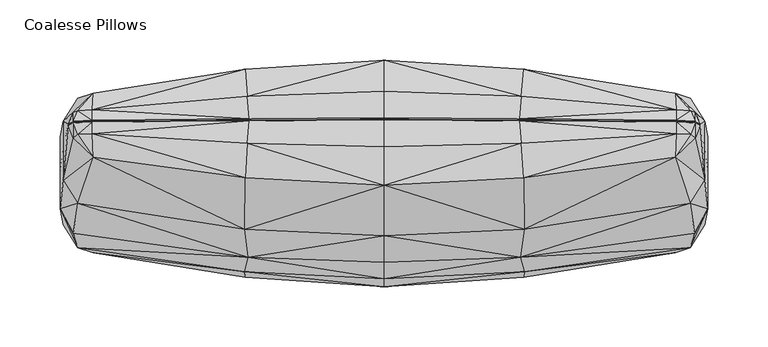
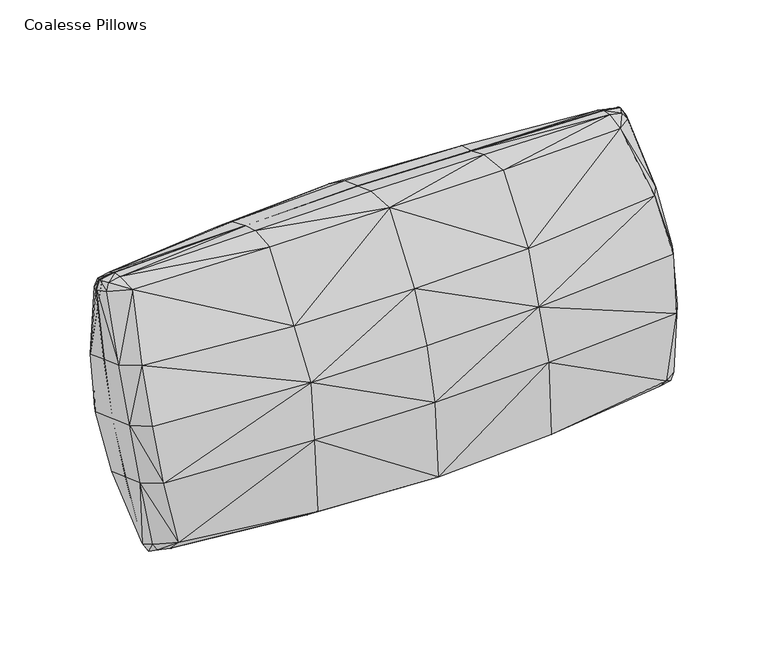
"""IFC4 building model written with IfcOpenShell, lengths in millimetres: furniture geometry, Coalesse Pillows."""

from ifc_helpers import new_model, si_unit, origin, place, context, project, spatial, triangles, source, transform, mapped, element, save


def coalesse_pillows_a840edc3(model_context):
    return source(origin(), model_context, "Body", "Tessellation", [
        triangles([(0.0001959, -10.1185241, 269.7106266), (0.0001078, -52.4536615, 210.3301486), (116.320607, -46.7196092, 208.2172143), (115.814824, -4.0912809, 264.9565563), (0.0001124, -74.2009805, 163.4093752), (113.1859692, -70.2742943, 161.9801747), (254.4092895, -25.2242688, 202.4309941), (242.046672, 12.9986479, 254.2521588), (258.361065, -50.0190626, 154.6078413), (243.0368368, 32.794603, 256.4648689), (113.8667234, 24.7344277, 264.4076072), (0.0001892, 21.9244544, 267.7287163), (269.1917084, -29.6406553, 147.1907794), (266.6809605, -6.031235, 195.2920222), (258.7454528, 28.9829897, 248.5095587), (254.8683821, 32.1066862, 254.3816204), (112.2202214, 43.5029678, 257.5044312), (0.0001846, 44.261706, 259.5938749), (243.0515707, 42.4926325, 254.6547323), (258.6241666, 41.8398471, 252.7572282), (263.0339265, 39.0803817, 245.2492926), (266.7591352, 17.7509173, 186.7556791), (269.2070599, -0.5087484, 136.5876476), (112.3989351, 43.8916432, 256.335589), (0.0001845, 44.6512898, 258.4227618), (242.9391139, 42.8777834, 253.5499669), (257.3316038, 42.2897016, 251.9342043), (261.1658538, 39.7503262, 244.9573046), (264.7485748, 18.5004957, 186.5738407), (267.1893597, 0.2116045, 136.3254452), (0.0001742, 93.8631479, 231.8644991), (115.8148058, 86.1901787, 232.0968977), (116.3205889, 82.3740599, 161.2310198), (7.85e-05, 88.1247263, 159.1638132), (113.1859419, 70.6974425, 110.6707339), (8.13e-05, 74.6240924, 109.2415333), (242.0466538, 66.2178831, 234.8819748), (254.4092895, 62.1884007, 170.6154216), (258.361065, 50.4422654, 118.0429856), (243.0368186, 52.4756351, 249.3015889), (113.8667143, 63.7554971, 250.2051311), (0.0001796, 68.0427853, 250.9429676), (269.1917084, 30.0638513, 125.4601745), (266.6809605, 42.8968502, 177.4836615), (258.7454528, 50.2819372, 240.757452), (254.8683821, 51.6635208, 247.2635955), (112.2202214, 44.9406935, 256.981171), (0.0001843, 45.7024974, 259.0694701), (243.0515707, 43.8829546, 254.1486949), (258.6241666, 43.1633401, 252.2754989), (263.0339265, 40.4512282, 244.7503587), (266.7591352, 19.191627, 186.231347), (269.2070599, 0.9319582, 136.0632519), (-115.8145333, -4.0913416, 264.9565563), (-116.3204526, -46.7196592, 208.2172143), (-113.1857966, -70.2743397, 161.9801747), (-242.0465448, 12.998548, 254.2521588), (-254.9313869, -25.2243756, 202.4309941), (-258.9035282, -50.0191671, 154.6078413), (-243.036637, 32.7944985, 256.4648689), (-113.8664509, 24.73438, 264.4076072), (-269.7341716, -29.6407666, 147.1907794), (-267.2030398, -6.0313525, 195.2920222), (-258.7452167, 28.9828807, 248.5095587), (-254.8681277, 32.1065818, 254.3816204), (-112.2200397, 43.5029224, 257.5044312), (-243.0514435, 42.492528, 254.6547323), (-258.6240213, 41.8397427, 252.7572282), (-263.0337267, 39.0802681, 245.2492926), (-267.2811419, 17.7508049, 186.7556791), (-269.7494868, -0.508879, 136.5876476), (-112.3986626, 43.8915842, 256.335589), (-242.9389867, 42.8776789, 253.5499669), (-257.3314585, 42.2895971, 251.9342043), (-261.1657084, 39.7502127, 244.9573046), (-265.2705996, 18.5003844, 186.5738407), (-267.7318774, 0.2114747, 136.3254452), (-116.3204799, 82.3740145, 161.2310198), (-115.8145424, 86.1901333, 232.0968977), (-113.1858329, 70.6973653, 110.6707339), (-254.9313869, 62.1882962, 170.6154216), (-242.046563, 66.2177786, 234.8819748), (-258.9035282, 50.4421609, 118.0429856), (-243.0366551, 52.4755306, 249.3015889), (-113.86646, 63.7554516, 250.2051311), (-269.7341716, 30.06374, 125.4601745), (-267.2030398, 42.8967412, 177.4836615), (-258.7452167, 50.2818327, 240.757452), (-254.8681277, 51.6634163, 247.2635955), (-112.2200397, 44.9406526, 256.981171), (-243.0514435, 43.8828501, 254.1486949), (-258.6240213, 43.1632356, 252.2754989), (-263.0337267, 40.4511147, 244.7503587), (-267.2811419, 19.1915157, 186.231347), (-269.7494868, 0.9318276, 136.0633064), (0.0002135, -94.5102105, 37.8461637), (115.814833, -86.8573073, 37.5584815), (116.3206161, -82.3740599, 110.2572871), (0.0001153, -88.1247627, 112.3244302), (242.0466901, -66.2180784, 36.6055849), (254.4092895, -62.1883325, 100.8728944), (243.036855, -52.4758122, 22.1859119), (113.8667506, -64.4226393, 19.4502367), (0.0002081, -68.6898252, 18.7676135), (266.6809605, -42.8967684, 94.0046545), (258.7454528, -50.2821416, 30.7300601), (254.8683821, -51.6637206, 24.2239733), (112.2202396, -45.6078448, 12.6741446), (0.0002035, -46.3495419, 10.6411791), (243.051607, -43.8831726, 17.3387752), (258.6241666, -43.1635399, 19.21197), (263.0339265, -40.4514326, 26.7371466), (266.7591352, -19.1915611, 85.2569962), (0.0002032, -45.2983479, 11.2878591), (112.3989532, -44.5587809, 13.3196937), (242.9391502, -42.8779878, 17.9375338), (257.3316038, -42.2899105, 19.5532964), (261.1658538, -39.7505397, 26.5301984), (264.7485748, -18.5004321, 84.9144753), (0.0001918, 9.471478, -2.81e-05), (8.6e-05, 52.4536206, 61.1581856), (116.320598, 46.7196092, 63.2711107), (115.814824, 3.4241295, 4.6987241), (254.4092895, 25.2243279, 69.0572946), (242.046672, -12.9988739, 17.2353669), (243.0368368, -32.7948074, 15.0226602), (113.8667416, -25.4015722, 5.2477073), (0.0001985, -22.5715056, 1.9819399), (266.6809605, 6.0313048, 76.196312), (258.7454528, -28.9832214, 22.977942), (254.8683821, -32.1069133, 17.1058713), (112.2202396, -44.17011, 12.1508765), (0.0002032, -44.908755, 10.1167483), (243.051607, -42.492846, 16.8327616), (258.6241666, -41.840047, 18.7302748), (263.0339265, -39.0805951, 26.2381945), (266.7591352, -17.7508481, 84.7325915), (-116.3204435, -82.3741053, 110.2572871), (-115.8145151, -86.8573618, 37.5584815), (-254.9313869, -62.188437, 100.8728944), (-242.0465266, -66.2181919, 36.6055849), (-243.0366188, -52.4759167, 22.1859119), (-113.8664236, -64.4226802, 19.4502367), (-267.2030398, -42.8968774, 94.0046545), (-258.7452167, -50.2822461, 30.7300601), (-254.8681277, -51.6638251, 24.2239733), (-112.2200307, -45.6078811, 12.6742037), (-243.0514071, -43.8832544, 17.3388342), (-258.6240213, -43.1636444, 19.21197), (-263.0337267, -40.4515461, 26.7371466), (-267.2811419, -19.1916724, 85.2569962), (-112.3986444, -44.5588263, 13.3196937), (-242.9389685, -42.8780923, 17.9375338), (-257.3314585, -42.290015, 19.5532964), (-261.1657084, -39.7506487, 26.5301984), (-265.2705996, -18.5005445, 84.9144753), (-115.8145333, 3.4240813, 4.6987241), (-116.3204708, 46.7195593, 63.2711107), (-242.0465448, -12.9989738, 17.2353669), (-254.9313869, 25.2242212, 69.0572946), (-243.036637, -32.7949118, 15.0226602), (-113.8664327, -25.4016199, 5.2477073), (-267.2030398, 6.0311936, 76.196312), (-258.7452167, -28.9833281, 22.977942), (-254.8681277, -32.1070178, 17.1058713), (-112.2200307, -44.1701555, 12.1508765), (-243.0514071, -42.4929504, 16.8327616), (-258.6240213, -41.8401514, 18.7302748), (-263.0337267, -39.0807041, 26.2381945), (-267.2811419, -17.7509593, 84.7325915)], [[1, 2, 3], [1, 3, 4], [2, 5, 6], [2, 6, 3], [3, 7, 8], [3, 8, 4], [6, 9, 7], [6, 7, 3], [10, 11, 4], [10, 4, 8], [1, 4, 11], [1, 11, 12], [13, 14, 7], [13, 7, 9], [8, 7, 14], [8, 14, 15], [16, 10, 8], [16, 8, 15], [17, 18, 12], [17, 12, 11], [17, 11, 10], [17, 10, 19], [19, 10, 16], [19, 16, 20], [20, 16, 15], [20, 15, 21], [21, 15, 14], [21, 14, 22], [22, 14, 13], [22, 13, 23], [17, 24, 25], [17, 25, 18], [24, 17, 19], [24, 19, 26], [26, 19, 20], [26, 20, 27], [27, 20, 21], [27, 21, 28], [28, 21, 22], [28, 22, 29], [29, 22, 23], [29, 23, 30], [31, 32, 33], [31, 33, 34], [34, 33, 35], [34, 35, 36], [33, 32, 37], [33, 37, 38], [35, 33, 38], [35, 38, 39], [40, 37, 32], [40, 32, 41], [31, 42, 41], [31, 41, 32], [43, 39, 38], [43, 38, 44], [37, 45, 44], [37, 44, 38], [46, 45, 37], [46, 37, 40], [47, 41, 42], [47, 42, 48], [47, 49, 40], [47, 40, 41], [49, 50, 46], [49, 46, 40], [50, 51, 45], [50, 45, 46], [51, 52, 44], [51, 44, 45], [52, 53, 43], [52, 43, 44], [47, 48, 25], [47, 25, 24], [24, 26, 49], [24, 49, 47], [26, 27, 50], [26, 50, 49], [27, 28, 51], [27, 51, 50], [28, 29, 52], [28, 52, 51], [29, 30, 53], [29, 53, 52], [1, 54, 55], [1, 55, 2], [2, 55, 56], [2, 56, 5], [55, 54, 57], [55, 57, 58], [56, 55, 58], [56, 58, 59], [60, 57, 54], [60, 54, 61], [1, 12, 61], [1, 61, 54], [62, 59, 58], [62, 58, 63], [57, 64, 63], [57, 63, 58], [65, 64, 57], [65, 57, 60], [66, 61, 12], [66, 12, 18], [66, 67, 60], [66, 60, 61], [67, 68, 65], [67, 65, 60], [68, 69, 64], [68, 64, 65], [69, 70, 63], [69, 63, 64], [70, 71, 62], [70, 62, 63], [66, 18, 25], [66, 25, 72], [72, 73, 67], [72, 67, 66], [73, 74, 68], [73, 68, 67], [74, 75, 69], [74, 69, 68], [75, 76, 70], [75, 70, 69], [76, 77, 71], [76, 71, 70], [31, 34, 78], [31, 78, 79], [34, 36, 80], [34, 80, 78], [78, 81, 82], [78, 82, 79], [80, 83, 81], [80, 81, 78], [84, 85, 79], [84, 79, 82], [31, 79, 85], [31, 85, 42], [86, 87, 81], [86, 81, 83], [82, 81, 87], [82, 87, 88], [89, 84, 82], [89, 82, 88], [90, 48, 42], [90, 42, 85], [90, 85, 84], [90, 84, 91], [91, 84, 89], [91, 89, 92], [92, 89, 88], [92, 88, 93], [93, 88, 87], [93, 87, 94], [94, 87, 86], [94, 86, 95], [90, 72, 25], [90, 25, 48], [72, 90, 91], [72, 91, 73], [73, 91, 92], [73, 92, 74], [74, 92, 93], [74, 93, 75], [75, 93, 94], [75, 94, 76], [76, 94, 95], [76, 95, 77], [96, 97, 98], [96, 98, 99], [99, 98, 6], [99, 6, 5], [98, 97, 100], [98, 100, 101], [6, 98, 101], [6, 101, 9], [102, 100, 97], [102, 97, 103], [96, 104, 103], [96, 103, 97], [13, 9, 101], [13, 101, 105], [100, 106, 105], [100, 105, 101], [107, 106, 100], [107, 100, 102], [108, 103, 104], [108, 104, 109], [108, 110, 102], [108, 102, 103], [110, 111, 107], [110, 107, 102], [111, 112, 106], [111, 106, 107], [112, 113, 105], [112, 105, 106], [113, 23, 13], [113, 13, 105], [108, 109, 114], [108, 114, 115], [115, 116, 110], [115, 110, 108], [116, 117, 111], [116, 111, 110], [117, 118, 112], [117, 112, 111], [118, 119, 113], [118, 113, 112], [119, 30, 23], [119, 23, 113], [120, 121, 122], [120, 122, 123], [121, 36, 35], [121, 35, 122], [122, 124, 125], [122, 125, 123], [35, 39, 124], [35, 124, 122], [126, 127, 123], [126, 123, 125], [120, 123, 127], [120, 127, 128], [43, 129, 124], [43, 124, 39], [125, 124, 129], [125, 129, 130], [131, 126, 125], [131, 125, 130], [132, 133, 128], [132, 128, 127], [132, 127, 126], [132, 126, 134], [134, 126, 131], [134, 131, 135], [135, 131, 130], [135, 130, 136], [136, 130, 129], [136, 129, 137], [137, 129, 43], [137, 43, 53], [132, 115, 114], [132, 114, 133], [115, 132, 134], [115, 134, 116], [116, 134, 135], [116, 135, 117], [117, 135, 136], [117, 136, 118], [118, 136, 137], [118, 137, 119], [119, 137, 53], [119, 53, 30], [96, 99, 138], [96, 138, 139], [99, 5, 56], [99, 56, 138], [138, 140, 141], [138, 141, 139], [56, 59, 140], [56, 140, 138], [142, 143, 139], [142, 139, 141], [96, 139, 143], [96, 143, 104], [62, 144, 140], [62, 140, 59], [141, 140, 144], [141, 144, 145], [146, 142, 141], [146, 141, 145], [147, 109, 104], [147, 104, 143], [147, 143, 142], [147, 142, 148], [148, 142, 146], [148, 146, 149], [149, 146, 145], [149, 145, 150], [150, 145, 144], [150, 144, 151], [151, 144, 62], [151, 62, 71], [147, 152, 114], [147, 114, 109], [152, 147, 148], [152, 148, 153], [153, 148, 149], [153, 149, 154], [154, 149, 150], [154, 150, 155], [155, 150, 151], [155, 151, 156], [156, 151, 71], [156, 71, 77], [120, 157, 158], [120, 158, 121], [121, 158, 80], [121, 80, 36], [158, 157, 159], [158, 159, 160], [80, 158, 160], [80, 160, 83], [161, 159, 157], [161, 157, 162], [120, 128, 162], [120, 162, 157], [86, 83, 160], [86, 160, 163], [159, 164, 163], [159, 163, 160], [165, 164, 159], [165, 159, 161], [166, 162, 128], [166, 128, 133], [166, 167, 161], [166, 161, 162], [167, 168, 165], [167, 165, 161], [168, 169, 164], [168, 164, 165], [169, 170, 163], [169, 163, 164], [170, 95, 86], [170, 86, 163], [166, 133, 114], [166, 114, 152], [152, 153, 167], [152, 167, 166], [153, 154, 168], [153, 168, 167], [154, 155, 169], [154, 169, 168], [155, 156, 170], [155, 170, 169], [156, 77, 95], [156, 95, 170]]),
    ])


if __name__ == "__main__":
    model = new_model("IFC4")
    model_context = context("Model", 3, world=origin())
    ifc_project = project(units=[si_unit("LENGTHUNIT", "METRE", prefix="MILLI")], contexts=[model_context])
    site = spatial("IfcSite", under=ifc_project)
    building = spatial("IfcBuilding", under=site)
    placement = place(None, origin())
    coalesse_pillows_shape = coalesse_pillows_a840edc3(model_context)
    element("IfcFurniture", 1, ObjectType="Coalesse Pillows", at=placement, inside=building, context=model_context, shape_type="MappedRepresentation", body=[
        mapped(coalesse_pillows_shape, transform((0.0, 0.0, 0.0), x_axis=(1.0, 0.0, 0.0), y_axis=(0.0, 1.0, 0.0), z_axis=(0.0, 0.0, 1.0))),
    ])
    save(model, "model.ifc")
